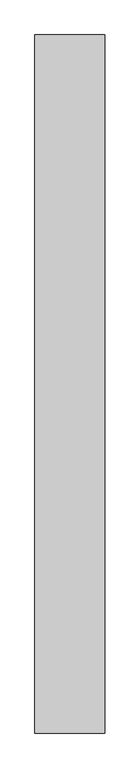
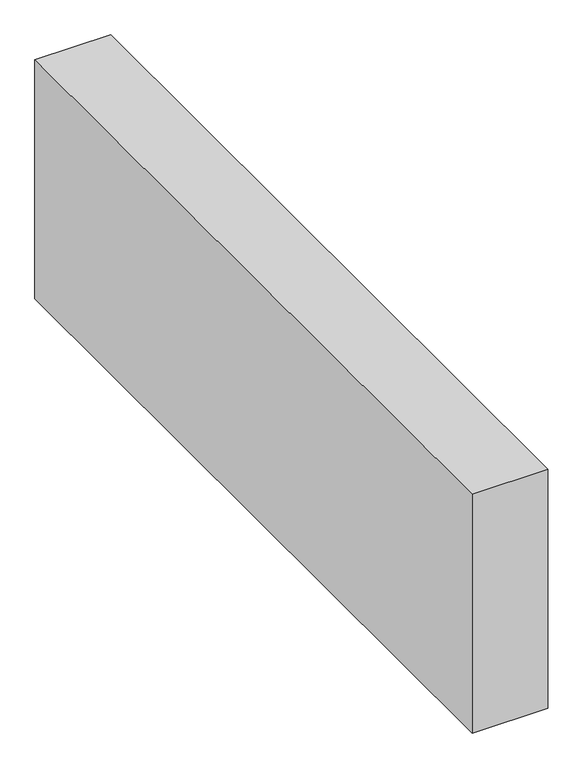
"""IFC4 building model written with IfcOpenShell, lengths in millimetres: proxy geometry."""

from ifc_helpers import new_model, si_unit, frame, origin, place, context, project, spatial, polyline, outline, extrude, source, transform, mapped, element, save


def generic_models_16adc52d(model_context):
    return source(origin(), model_context, "Body", "SweptSolid", [
        extrude(outline(polyline([(600.0, 6000.0), (600.0, 0.0), (0.0, 0.0), (0.0, 6000.0), (600.0, 6000.0)])), frame((0.0, 0.0, 3500.0), z_axis=(0.0, 0.0, 1.0), x_axis=(1.0, 0.0, 0.0)), (0.0, 0.0, 1.0), 2000.0),
    ])


if __name__ == "__main__":
    model = new_model("IFC4")
    model_context = context("Model", 3, world=origin())
    ifc_project = project(units=[si_unit("LENGTHUNIT", "METRE", prefix="MILLI")], contexts=[model_context])
    site = spatial("IfcSite", under=ifc_project)
    building = spatial("IfcBuilding", under=site)
    placement = place(None, origin())
    generic_models_shape = generic_models_16adc52d(model_context)
    element("IfcBuildingElementProxy", 1, Name="Generic Models", at=placement, inside=building, context=model_context, shape_type="MappedRepresentation", body=[
        mapped(generic_models_shape, transform((0.0, 0.0, 0.0), x_axis=(1.0, 0.0, 0.0), y_axis=(0.0, 1.0, 0.0), z_axis=(0.0, 0.0, 1.0))),
    ])
    save(model, "model.ifc")
